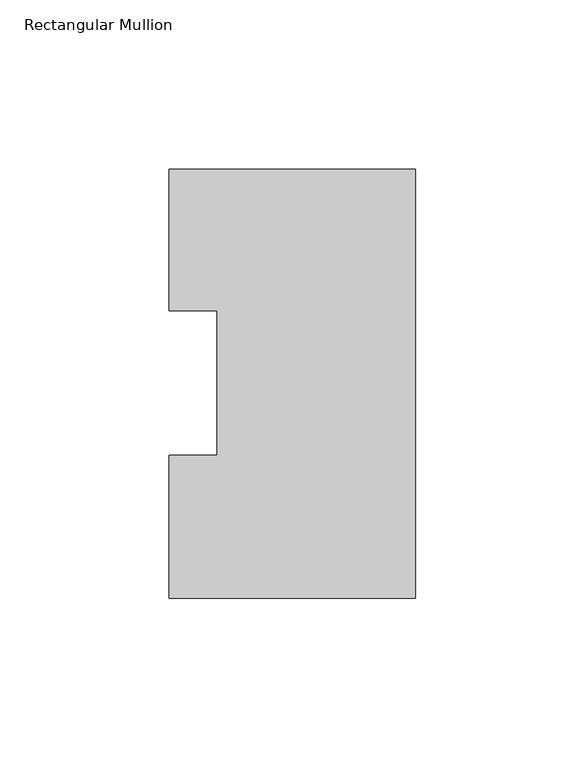
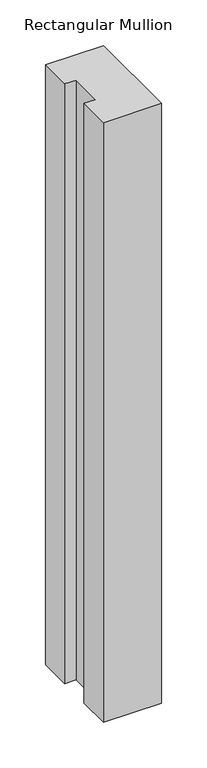
"""IFC4 building model written with IfcOpenShell, lengths in millimetres: member geometry, Rectangular Mullion."""

from ifc_helpers import new_model, si_unit, frame, origin, place, context, project, spatial, polyline, outline, extrude, source, transform, mapped, element, save


def rectangular_mullion_da2a8e49(model_context):
    return source(origin(), model_context, "Body", "SweptSolid", [
        extrude(outline(polyline([(0.0, 126.9888875), (0.0, -0.0111125), (-73.025, -0.0111125), (-73.025, 42.2798875), (-58.7375, 42.2798875), (-58.7375, 85.1296875), (-73.025, 85.1296875), (-73.025, 126.9888875), (0.0, 126.9888875)])), frame((0.0, 0.0, -800.1), z_axis=(0.0, 0.0, 1.0), x_axis=(1.0, 0.0, 0.0)), (0.0, 0.0, 1.0), 800.1),
    ])


if __name__ == "__main__":
    model = new_model("IFC4")
    model_context = context("Model", 3, world=origin())
    ifc_project = project(units=[si_unit("LENGTHUNIT", "METRE", prefix="MILLI")], contexts=[model_context])
    site = spatial("IfcSite", under=ifc_project)
    building = spatial("IfcBuilding", under=site)
    placement = place(None, origin())
    rectangular_mullion_shape = rectangular_mullion_da2a8e49(model_context)
    element("IfcMember", 1, ObjectType="Rectangular Mullion", at=placement, inside=building, context=model_context, shape_type="MappedRepresentation", body=[
        mapped(rectangular_mullion_shape, transform((0.0, 0.0, 0.0), x_axis=(1.0, 0.0, 0.0), y_axis=(0.0, 1.0, 0.0), z_axis=(0.0, 0.0, 1.0))),
    ])
    save(model, "model.ifc")
